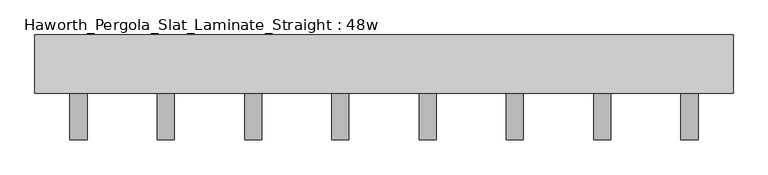
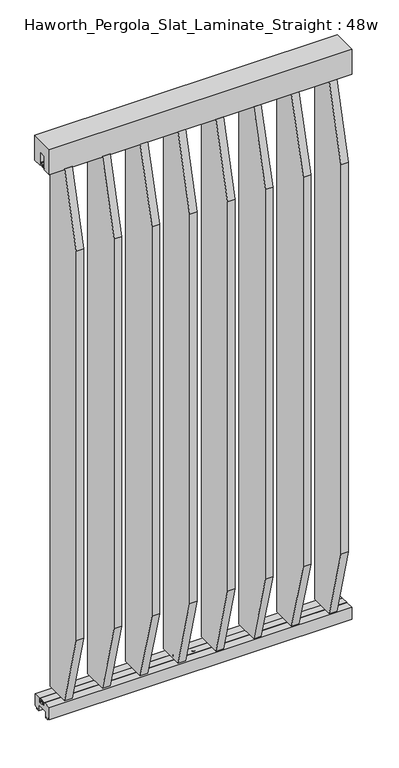
"""IFC4 building model written with IfcOpenShell, lengths in millimetres: furniture geometry, Haworth_Pergola_Slat_Laminate_Straight : 48w."""

from ifc_helpers import new_model, si_unit, point, frame, frame_2d, origin, place, context, project, spatial, polyline, circle_curve, trimmed, segment, composite_curve, outline, extrude, source, transform, mapped, element, save


def haworth_pergola_slat_laminate_straight_48w_8f134129(model_context):
    return source(origin(), model_context, "Body", "SweptSolid", [
        extrude(outline(polyline([(-50.8, 2438.4), (50.8, 2438.4), (50.8, 2331.8390625), (15.2182948, 2331.8390625), (15.2182948, 2388.7001663), (-15.2182948, 2388.7001663), (-15.2182948, 2331.8390625), (-50.8, 2331.8390625), (-50.8, 2438.4)])), frame((-571.5, 0.0, 0.0), z_axis=(1.0, 0.0, 0.0), x_axis=(0.0, 1.0, 0.0)), (0.0, 0.0, 1.0), 1219.2),
        extrude(outline(polyline([(-132.3000005, 2029.6586493), (-50.7895063, 2332.5477679), (50.8000016, 2332.5477679), (50.8000016, 69.1696429), (-50.7894893, 69.1696429), (-132.3000005, 372.0587009), (-132.3000005, 2029.6586493)])), frame((404.1000003, 0.0, 0.0), z_axis=(1.0, 0.0, 0.0), x_axis=(0.0, 1.0, 0.0)), (0.0, 0.0, 1.0), 29.9999997),
        extrude(outline(composite_curve([segment(trimmed(circle_curve(frame_2d((419.1000001, 1e-07)), 6.0), [point((413.1000001, 1e-07))], [point((425.1000001, 1e-07))], False, "CARTESIAN"), True, "CONTINUOUS"), segment(trimmed(circle_curve(frame_2d((419.1000001, 1e-07)), 6.0), [point((425.1000001, 1e-07))], [point((413.1000001, 1e-07))], False, "CARTESIAN"), True, "CONTINUOUS")], self_intersect=False)), frame((0.0, 0.0, 2332.5477679), z_axis=(0.0, 0.0, 1.0), x_axis=(1.0, 0.0, 0.0)), (0.0, 0.0, 1.0), 4.9609375),
        extrude(outline(composite_curve([segment(trimmed(circle_curve(frame_2d((419.1000001, 1e-07)), 6.0), [point((413.1000001, 1e-07))], [point((425.1000001, 1e-07))], False, "CARTESIAN"), True, "CONTINUOUS"), segment(trimmed(circle_curve(frame_2d((419.1000001, 1e-07)), 6.0), [point((425.1000001, 1e-07))], [point((413.1000001, 1e-07))], False, "CARTESIAN"), True, "CONTINUOUS")], self_intersect=False)), frame((0.0, 0.0, 64.2087054), z_axis=(0.0, 0.0, 1.0), x_axis=(1.0, 0.0, 0.0)), (0.0, 0.0, 1.0), 4.9609375),
        extrude(outline(polyline([(-132.3000005, 2030.3673546), (-50.7895063, 2333.2564732), (50.8000016, 2333.2564732), (50.8000016, 69.8783482), (-50.7894893, 69.8783482), (-132.3000005, 372.7674062), (-132.3000005, 2030.3673546)])), frame((251.7000003, 0.0, 0.0), z_axis=(1.0, 0.0, 0.0), x_axis=(0.0, 1.0, 0.0)), (0.0, 0.0, 1.0), 29.9999997),
        extrude(outline(composite_curve([segment(trimmed(circle_curve(frame_2d((266.7000001, 1e-07)), 6.0), [point((260.7000001, 1e-07))], [point((272.7000001, 1e-07))], False, "CARTESIAN"), True, "CONTINUOUS"), segment(trimmed(circle_curve(frame_2d((266.7000001, 1e-07)), 6.0), [point((272.7000001, 1e-07))], [point((260.7000001, 1e-07))], False, "CARTESIAN"), True, "CONTINUOUS")], self_intersect=False)), frame((0.0, 0.0, 2333.2564732), z_axis=(0.0, 0.0, 1.0), x_axis=(1.0, 0.0, 0.0)), (0.0, 0.0, 1.0), 4.9609375),
        extrude(outline(composite_curve([segment(trimmed(circle_curve(frame_2d((266.7000001, 1e-07)), 6.0), [point((260.7000001, 1e-07))], [point((272.7000001, 1e-07))], False, "CARTESIAN"), True, "CONTINUOUS"), segment(trimmed(circle_curve(frame_2d((266.7000001, 1e-07)), 6.0), [point((272.7000001, 1e-07))], [point((260.7000001, 1e-07))], False, "CARTESIAN"), True, "CONTINUOUS")], self_intersect=False)), frame((0.0, 0.0, 64.9174107), z_axis=(0.0, 0.0, 1.0), x_axis=(1.0, 0.0, 0.0)), (0.0, 0.0, 1.0), 4.9609375),
        extrude(outline(polyline([(-132.3000005, 2031.07606), (-50.7895063, 2333.9651786), (50.8000016, 2333.9651786), (50.8000016, 70.5870536), (-50.7894893, 70.5870536), (-132.3000005, 373.4761116), (-132.3000005, 2031.07606)])), frame((99.3000003, 0.0, 0.0), z_axis=(1.0, 0.0, 0.0), x_axis=(0.0, 1.0, 0.0)), (0.0, 0.0, 1.0), 29.9999997),
        extrude(outline(composite_curve([segment(trimmed(circle_curve(frame_2d((114.3000001, 1e-07)), 6.0), [point((108.3000001, 1e-07))], [point((120.3000001, 1e-07))], False, "CARTESIAN"), True, "CONTINUOUS"), segment(trimmed(circle_curve(frame_2d((114.3000001, 1e-07)), 6.0), [point((120.3000001, 1e-07))], [point((108.3000001, 1e-07))], False, "CARTESIAN"), True, "CONTINUOUS")], self_intersect=False)), frame((0.0, 0.0, 2333.9651786), z_axis=(0.0, 0.0, 1.0), x_axis=(1.0, 0.0, 0.0)), (0.0, 0.0, 1.0), 4.9609375),
        extrude(outline(composite_curve([segment(trimmed(circle_curve(frame_2d((114.3000001, 1e-07)), 6.0), [point((108.3000001, 1e-07))], [point((120.3000001, 1e-07))], False, "CARTESIAN"), True, "CONTINUOUS"), segment(trimmed(circle_curve(frame_2d((114.3000001, 1e-07)), 6.0), [point((120.3000001, 1e-07))], [point((108.3000001, 1e-07))], False, "CARTESIAN"), True, "CONTINUOUS")], self_intersect=False)), frame((0.0, 0.0, 65.6261161), z_axis=(0.0, 0.0, 1.0), x_axis=(1.0, 0.0, 0.0)), (0.0, 0.0, 1.0), 4.9609375),
        extrude(outline(polyline([(-132.3000005, 2031.7847654), (-50.7895063, 2334.6738839), (50.8000016, 2334.6738839), (50.8000016, 71.2957589), (-50.7894893, 71.2957589), (-132.3000005, 374.1848169), (-132.3000005, 2031.7847654)])), frame((-53.0999997, 0.0, 0.0), z_axis=(1.0, 0.0, 0.0), x_axis=(0.0, 1.0, 0.0)), (0.0, 0.0, 1.0), 29.9999997),
        extrude(outline(composite_curve([segment(trimmed(circle_curve(frame_2d((-38.0999999, 1e-07)), 6.0), [point((-44.0999999, 1e-07))], [point((-32.0999999, 1e-07))], False, "CARTESIAN"), True, "CONTINUOUS"), segment(trimmed(circle_curve(frame_2d((-38.0999999, 1e-07)), 6.0), [point((-32.0999999, 1e-07))], [point((-44.0999999, 1e-07))], False, "CARTESIAN"), True, "CONTINUOUS")], self_intersect=False)), frame((0.0, 0.0, 2334.6738839), z_axis=(0.0, 0.0, 1.0), x_axis=(1.0, 0.0, 0.0)), (0.0, 0.0, 1.0), 4.9609375),
        extrude(outline(composite_curve([segment(trimmed(circle_curve(frame_2d((-38.0999999, 1e-07)), 6.0), [point((-44.0999999, 1e-07))], [point((-32.0999999, 1e-07))], False, "CARTESIAN"), True, "CONTINUOUS"), segment(trimmed(circle_curve(frame_2d((-38.0999999, 1e-07)), 6.0), [point((-32.0999999, 1e-07))], [point((-44.0999999, 1e-07))], False, "CARTESIAN"), True, "CONTINUOUS")], self_intersect=False)), frame((0.0, 0.0, 66.3348214), z_axis=(0.0, 0.0, 1.0), x_axis=(1.0, 0.0, 0.0)), (0.0, 0.0, 1.0), 4.9609375),
        extrude(outline(polyline([(-132.3000005, 2032.4934707), (-50.7895063, 2335.3825893), (50.8000016, 2335.3825893), (50.8000016, 72.0044643), (-50.7894893, 72.0044643), (-132.3000005, 374.8935223), (-132.3000005, 2032.4934707)])), frame((-205.4999997, 0.0, 0.0), z_axis=(1.0, 0.0, 0.0), x_axis=(0.0, 1.0, 0.0)), (0.0, 0.0, 1.0), 29.9999997),
        extrude(outline(composite_curve([segment(trimmed(circle_curve(frame_2d((-190.4999999, 1e-07)), 6.0), [point((-196.4999999, 1e-07))], [point((-184.4999999, 1e-07))], False, "CARTESIAN"), True, "CONTINUOUS"), segment(trimmed(circle_curve(frame_2d((-190.4999999, 1e-07)), 6.0), [point((-184.4999999, 1e-07))], [point((-196.4999999, 1e-07))], False, "CARTESIAN"), True, "CONTINUOUS")], self_intersect=False)), frame((0.0, 0.0, 2335.3825893), z_axis=(0.0, 0.0, 1.0), x_axis=(1.0, 0.0, 0.0)), (0.0, 0.0, 1.0), 4.9609375),
        extrude(outline(composite_curve([segment(trimmed(circle_curve(frame_2d((-190.4999999, 1e-07)), 6.0), [point((-196.4999999, 1e-07))], [point((-184.4999999, 1e-07))], False, "CARTESIAN"), True, "CONTINUOUS"), segment(trimmed(circle_curve(frame_2d((-190.4999999, 1e-07)), 6.0), [point((-184.4999999, 1e-07))], [point((-196.4999999, 1e-07))], False, "CARTESIAN"), True, "CONTINUOUS")], self_intersect=False)), frame((0.0, 0.0, 67.0435268), z_axis=(0.0, 0.0, 1.0), x_axis=(1.0, 0.0, 0.0)), (0.0, 0.0, 1.0), 4.9609375),
        extrude(outline(polyline([(-132.3000005, 2033.2021761), (-50.7895063, 2336.0912946), (50.8000016, 2336.0912946), (50.8000016, 72.7131696), (-50.7894893, 72.7131696), (-132.3000005, 375.6022277), (-132.3000005, 2033.2021761)])), frame((-357.8999997, 0.0, 0.0), z_axis=(1.0, 0.0, 0.0), x_axis=(0.0, 1.0, 0.0)), (0.0, 0.0, 1.0), 29.9999997),
        extrude(outline(composite_curve([segment(trimmed(circle_curve(frame_2d((-342.8999999, 1e-07)), 6.0), [point((-348.8999999, 1e-07))], [point((-336.8999999, 1e-07))], False, "CARTESIAN"), True, "CONTINUOUS"), segment(trimmed(circle_curve(frame_2d((-342.8999999, 1e-07)), 6.0), [point((-336.8999999, 1e-07))], [point((-348.8999999, 1e-07))], False, "CARTESIAN"), True, "CONTINUOUS")], self_intersect=False)), frame((0.0, 0.0, 2336.0912946), z_axis=(0.0, 0.0, 1.0), x_axis=(1.0, 0.0, 0.0)), (0.0, 0.0, 1.0), 4.9609375),
        extrude(outline(composite_curve([segment(trimmed(circle_curve(frame_2d((-342.8999999, 1e-07)), 6.0), [point((-348.8999999, 1e-07))], [point((-336.8999999, 1e-07))], False, "CARTESIAN"), True, "CONTINUOUS"), segment(trimmed(circle_curve(frame_2d((-342.8999999, 1e-07)), 6.0), [point((-336.8999999, 1e-07))], [point((-348.8999999, 1e-07))], False, "CARTESIAN"), True, "CONTINUOUS")], self_intersect=False)), frame((0.0, 0.0, 67.7522321), z_axis=(0.0, 0.0, 1.0), x_axis=(1.0, 0.0, 0.0)), (0.0, 0.0, 1.0), 4.9609375),
        extrude(outline(polyline([(-132.3000005, 2028.9499439), (-50.7895063, 2331.8390625), (50.8000016, 2331.8390625), (50.8000016, 68.4609375), (-50.7894893, 68.4609375), (-132.3000005, 371.3499955), (-132.3000005, 2028.9499439)])), frame((556.5000003, 0.0, 0.0), z_axis=(1.0, 0.0, 0.0), x_axis=(0.0, 1.0, 0.0)), (0.0, 0.0, 1.0), 29.9999997),
        extrude(outline(composite_curve([segment(trimmed(circle_curve(frame_2d((571.5000001, 1e-07)), 6.0), [point((565.5000001, 1e-07))], [point((577.5000001, 1e-07))], False, "CARTESIAN"), True, "CONTINUOUS"), segment(trimmed(circle_curve(frame_2d((571.5000001, 1e-07)), 6.0), [point((577.5000001, 1e-07))], [point((565.5000001, 1e-07))], False, "CARTESIAN"), True, "CONTINUOUS")], self_intersect=False)), frame((0.0, 0.0, 2331.8390625), z_axis=(0.0, 0.0, 1.0), x_axis=(1.0, 0.0, 0.0)), (0.0, 0.0, 1.0), 4.9609375),
        extrude(outline(composite_curve([segment(trimmed(circle_curve(frame_2d((571.5000001, 1e-07)), 6.0), [point((565.5000001, 1e-07))], [point((577.5000001, 1e-07))], False, "CARTESIAN"), True, "CONTINUOUS"), segment(trimmed(circle_curve(frame_2d((571.5000001, 1e-07)), 6.0), [point((577.5000001, 1e-07))], [point((565.5000001, 1e-07))], False, "CARTESIAN"), True, "CONTINUOUS")], self_intersect=False)), frame((0.0, 0.0, 63.5), z_axis=(0.0, 0.0, 1.0), x_axis=(1.0, 0.0, 0.0)), (0.0, 0.0, 1.0), 4.9609375),
        extrude(outline(polyline([(-132.3000005, 2033.9108814), (-50.7895063, 2336.8), (50.8000016, 2336.8), (50.8000016, 73.421875), (-50.7894893, 73.421875), (-132.3000005, 376.310933), (-132.3000005, 2033.9108814)])), frame((-510.2999997, 0.0, 0.0), z_axis=(1.0, 0.0, 0.0), x_axis=(0.0, 1.0, 0.0)), (0.0, 0.0, 1.0), 29.9999997),
        extrude(outline(composite_curve([segment(trimmed(circle_curve(frame_2d((-495.2999999, 1e-07)), 6.0), [point((-501.2999999, 1e-07))], [point((-489.2999999, 1e-07))], False, "CARTESIAN"), True, "CONTINUOUS"), segment(trimmed(circle_curve(frame_2d((-495.2999999, 1e-07)), 6.0), [point((-489.2999999, 1e-07))], [point((-501.2999999, 1e-07))], False, "CARTESIAN"), True, "CONTINUOUS")], self_intersect=False)), frame((0.0, 0.0, 2336.8), z_axis=(0.0, 0.0, 1.0), x_axis=(1.0, 0.0, 0.0)), (0.0, 0.0, 1.0), 4.9609375),
        extrude(outline(composite_curve([segment(trimmed(circle_curve(frame_2d((-495.2999999, 1e-07)), 6.0), [point((-501.2999999, 1e-07))], [point((-489.2999999, 1e-07))], False, "CARTESIAN"), True, "CONTINUOUS"), segment(trimmed(circle_curve(frame_2d((-495.2999999, 1e-07)), 6.0), [point((-489.2999999, 1e-07))], [point((-501.2999999, 1e-07))], False, "CARTESIAN"), True, "CONTINUOUS")], self_intersect=False)), frame((0.0, 0.0, 68.4609375), z_axis=(0.0, 0.0, 1.0), x_axis=(1.0, 0.0, 0.0)), (0.0, 0.0, 1.0), 4.9609375),
        extrude(outline(polyline([(-7.8249998, 61.7499993), (-15.2249995, 61.7499993), (-15.2249995, 63.5), (15.2249996, 63.5), (15.2249996, 61.7499999), (13.3999997, 61.7499999), (13.3999997, 50.2499995), (11.8250005, 50.2499995), (11.8250005, 61.7499993), (-4.8250001, 61.7499993), (-4.8250001, 50.0999996), (-7.8249998, 50.0999996), (-7.8249998, 61.7499993)])), frame((-571.5, 0.0, 0.0), z_axis=(1.0, 0.0, 0.0), x_axis=(0.0, 1.0, 0.0)), (0.0, 0.0, 1.0), 1219.2),
        extrude(outline(polyline([(-16.2000002, 63.5), (-16.5085717, 61.7499999), (-13.3999996, 61.7499999), (-13.3999996, 58.8973461), (-15.4000002, 59.2499999), (-15.4000002, 48.3500004), (15.4000003, 48.3500004), (15.4000003, 59.2499999), (13.3999997, 58.8973461), (13.3999997, 61.7499999), (16.5085718, 61.7499999), (16.2000003, 63.5), (50.0000004, 63.5), (50.0000004, 12.6999985), (40.9499987, 12.6999985), (38.9499981, 10.6999979), (28.9499999, 10.6999979), (28.9499999, 7.6999994), (38.9499981, 7.6999994), (38.9499981, 5.6999988), (23.7499993, 5.6999988), (23.7499993, 31.4500009), (-23.7499992, 31.4500009), (-23.7499992, 5.6999988), (-38.949998, 5.6999988), (-38.949998, 7.6999994), (-28.9499998, 7.6999994), (-28.9499998, 10.6999979), (-38.949998, 10.6999979), (-40.9499986, 12.6999985), (-50.0000003, 12.6999985), (-50.0000003, 63.5), (-16.2000002, 63.5)])), frame((-571.5, 0.0, 0.0), z_axis=(1.0, 0.0, 0.0), x_axis=(0.0, 1.0, 0.0)), (0.0, 0.0, 1.0), 1219.2),
        extrude(outline(polyline([(7.8249999, 2338.5500385), (15.2249996, 2338.5500385), (15.2249996, 2336.8), (-15.2249995, 2336.8), (-15.2249995, 2338.5500385), (-13.3999996, 2338.5500385), (-13.3999996, 2350.0500633), (-11.8249992, 2350.0500633), (-11.8250004, 2338.5500385), (4.8250002, 2338.5500385), (4.8250002, 2350.2000542), (7.8250005, 2350.2000542), (7.8249999, 2338.5500385)])), frame((-571.5, 0.0, 0.0), z_axis=(1.0, 0.0, 0.0), x_axis=(0.0, 1.0, 0.0)), (0.0, 0.0, 1.0), 1219.2),
        extrude(outline(composite_curve([segment(trimmed(circle_curve(frame_2d((38.1000001, 1e-07)), 6.0), [point((32.1000001, 1e-07))], [point((44.1000001, 1e-07))], False, "CARTESIAN"), True, "CONTINUOUS"), segment(trimmed(circle_curve(frame_2d((38.1000001, 1e-07)), 6.0), [point((44.1000001, 1e-07))], [point((32.1000001, 1e-07))], False, "CARTESIAN"), True, "CONTINUOUS")], self_intersect=False)), frame((0.0, 0.0, 2319.1390625), z_axis=(0.0, 0.0, 1.0), x_axis=(1.0, 0.0, 0.0)), (0.0, 0.0, 1.0), 17.6609375),
        extrude(outline(composite_curve([segment(trimmed(circle_curve(frame_2d((38.1000001, 1e-07)), 6.0), [point((32.1000001, 1e-07))], [point((44.1000001, 1e-07))], False, "CARTESIAN"), True, "CONTINUOUS"), segment(trimmed(circle_curve(frame_2d((38.1000001, 1e-07)), 6.0), [point((44.1000001, 1e-07))], [point((32.1000001, 1e-07))], False, "CARTESIAN"), True, "CONTINUOUS")], self_intersect=False)), frame((0.0, 0.0, 55.7609375), z_axis=(0.0, 0.0, 1.0), x_axis=(1.0, 0.0, 0.0)), (0.0, 0.0, 1.0), 7.7390625),
    ])


if __name__ == "__main__":
    model = new_model("IFC4")
    model_context = context("Model", 3, world=origin())
    ifc_project = project(units=[si_unit("LENGTHUNIT", "METRE", prefix="MILLI")], contexts=[model_context])
    site = spatial("IfcSite", under=ifc_project)
    building = spatial("IfcBuilding", under=site)
    placement = place(None, origin())
    haworth_pergola_slat_laminate_straight_48w_shape = haworth_pergola_slat_laminate_straight_48w_8f134129(model_context)
    element("IfcFurniture", 1, ObjectType="Haworth_Pergola_Slat_Laminate_Straight : 48w", at=placement, inside=building, context=model_context, shape_type="MappedRepresentation", body=[
        mapped(haworth_pergola_slat_laminate_straight_48w_shape, transform((0.0, 0.0, 0.0), x_axis=(1.0, 0.0, 0.0), y_axis=(0.0, 1.0, 0.0), z_axis=(0.0, 0.0, 1.0))),
    ])
    save(model, "model.ifc")
